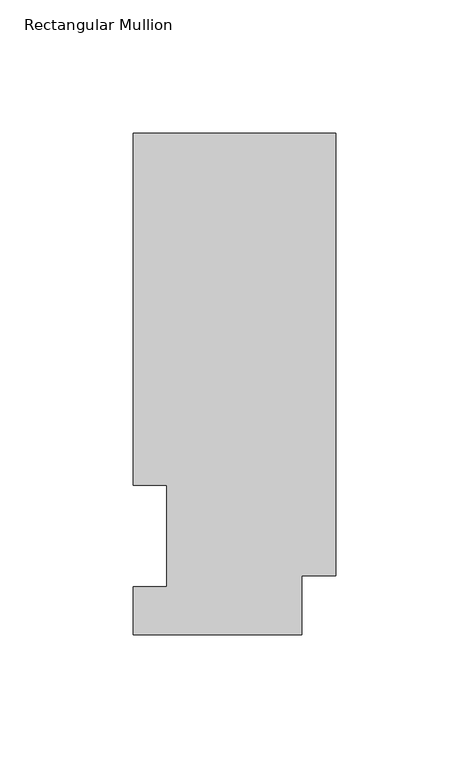
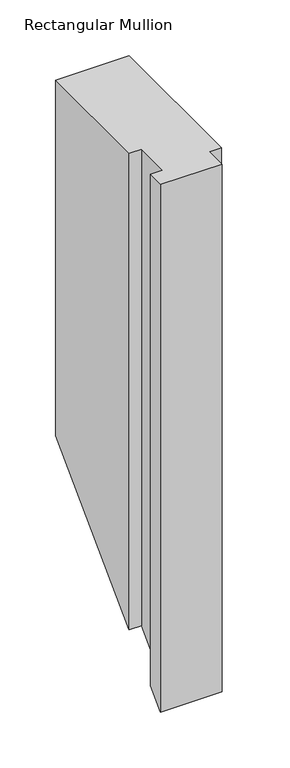
"""IFC4 building model written with IfcOpenShell, lengths in millimetres: member geometry, Rectangular Mullion."""

from ifc_helpers import new_model, si_unit, origin, place, context, project, spatial, faceted_brep, source, transform, mapped, element, save


def rectangular_mullion_f487acb2(model_context):
    return source(origin(), model_context, "Body", "Brep", [
        faceted_brep([(-76.2, 189.0897822, 0.0), (-76.2, 56.6539062, 0.0), (-63.5762, 56.6539062, 0.0), (-63.5762, 18.5539063, 0.0), (-76.2, 18.5539063, 0.0), (-76.2, 0.5199062, 0.0), (-12.7, 0.5199062, 0.0), (-12.7, 22.6195299, 0.0), (0.0, 22.6195299, 0.0), (0.0, 189.0897822, 0.0), (-76.2, 189.0897822, -389.7521293), (-76.2, 56.6539062, -522.1880053), (-63.5762, 56.6539062, -522.1880053), (-63.5762, 18.5539063, -560.2880053), (-76.2, 18.5539063, -560.2880053), (-76.2, 0.5199062, -578.3220053), (-12.7, 0.5199062, -578.3220053), (-12.7, 22.6195299, -556.2223816), (0.0, 22.6195299, -556.2223816), (0.0, 189.0897822, -389.7521293)], [[[0, 1, 2, 3, 4, 5, 6, 7, 8, 9]], [[1, 0, 10, 11]], [[2, 1, 11, 12]], [[3, 2, 12, 13]], [[4, 3, 13, 14]], [[5, 4, 14, 15]], [[6, 5, 15, 16]], [[7, 6, 16, 17]], [[8, 7, 17, 18]], [[9, 8, 18, 19]], [[0, 9, 19, 10]], [[10, 19, 18, 17, 16, 15, 14, 13, 12, 11]]]),
    ])


if __name__ == "__main__":
    model = new_model("IFC4")
    model_context = context("Model", 3, world=origin())
    ifc_project = project(units=[si_unit("LENGTHUNIT", "METRE", prefix="MILLI")], contexts=[model_context])
    site = spatial("IfcSite", under=ifc_project)
    building = spatial("IfcBuilding", under=site)
    placement = place(None, origin())
    rectangular_mullion_shape = rectangular_mullion_f487acb2(model_context)
    element("IfcMember", 1, ObjectType="Rectangular Mullion", at=placement, inside=building, context=model_context, shape_type="MappedRepresentation", body=[
        mapped(rectangular_mullion_shape, transform((0.0, 0.0, 0.0), x_axis=(1.0, 0.0, 0.0), y_axis=(0.0, 1.0, 0.0), z_axis=(0.0, 0.0, 1.0))),
    ])
    save(model, "model.ifc")
